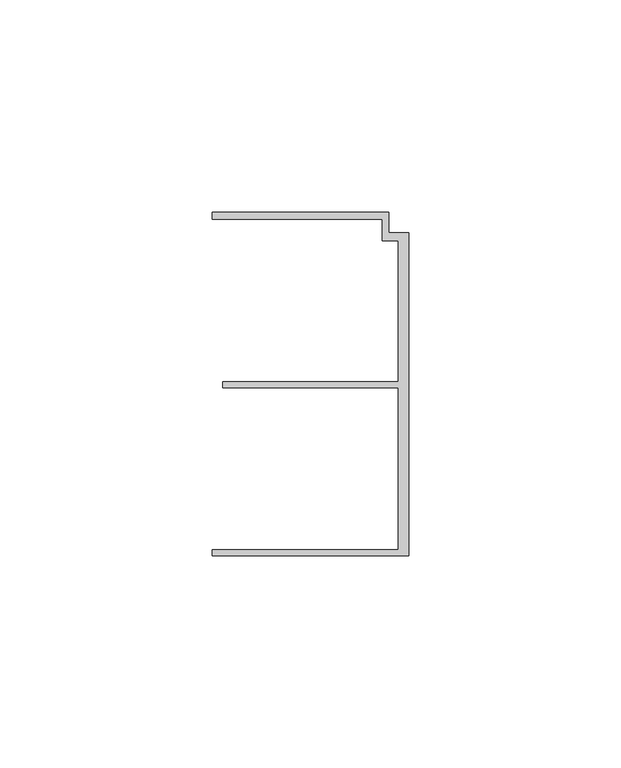
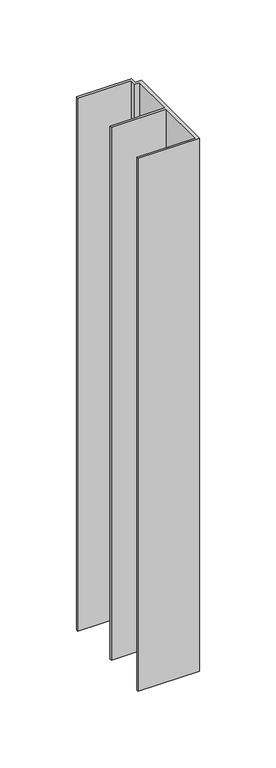
"""IFC4 building model written with IfcOpenShell, lengths in millimetres: member geometry."""

import ifcopenshell
import ifcopenshell.guid

model = None  # the IFC model being written
_history = None  # IfcOwnerHistory: only IFC2X3 demands one
_inside = {}  # id of a spatial element -> (the spatial element, [elements in it])
_under = {}  # id of a project, library or spatial element -> (it, [spatial elements below it])
_declared = {}  # id of a project -> (the project, [libraries it declares])
_typed = {}  # id of a type object -> (the type object, [elements of that type])
_made_of = {}  # id of a material, layer set ... -> (it, [elements and type objects made of it])


def new_model(schema):
    """Start an empty IFC model of exactly this schema.

    Asked for "IFC4X3", IfcOpenShell would pick the latest addendum, in which some entities
    have other attributes; the version numbers below select the first issue.
    IFC2X3 requires an IfcOwnerHistory on every rooted entity: one is made here for all.
    """
    global model, _history
    if schema == "IFC4X3":
        model = ifcopenshell.file(schema_version=(4, 3, 0, 0))
    else:
        model = ifcopenshell.file(schema=schema)
    _inside.clear()
    _under.clear()
    _declared.clear()
    _typed.clear()
    _made_of.clear()
    _history = None
    if model.schema == "IFC2X3":
        org = make("IfcOrganization", Name="unknown")
        user = make(
            "IfcPersonAndOrganization",
            ThePerson=make("IfcPerson", FamilyName="unknown"),
            TheOrganization=org,
        )
        app = make(
            "IfcApplication",
            ApplicationDeveloper=org,
            Version="unknown",
            ApplicationFullName="unknown",
            ApplicationIdentifier="unknown",
        )
        _history = make(
            "IfcOwnerHistory",
            OwningUser=user,
            OwningApplication=app,
            ChangeAction="ADDED",
            CreationDate=0,
        )
    return model


def make(cls, **values):
    """One entity of the class cls with the attributes given. An attribute that is None is left unset."""
    return model.create_entity(
        cls, **{name: value for name, value in values.items() if value is not None}
    )


def rooted(cls, **values):
    """An entity with a GlobalId (a new one), such as an element, a storey or a relation."""
    return make(cls, GlobalId=ifcopenshell.guid.new(), OwnerHistory=_history, **values)


def si_unit(unit_type, name, prefix=None):
    """IfcSIUnit, for example si_unit("LENGTHUNIT", "METRE", prefix="MILLI")."""
    return make("IfcSIUnit", UnitType=unit_type, Prefix=prefix, Name=name)


def assignment(units):
    """IfcUnitAssignment: the units of a project."""
    return None if units is None else make("IfcUnitAssignment", Units=units)


def point(xyz):
    """IfcCartesianPoint."""
    return None if xyz is None else make("IfcCartesianPoint", Coordinates=xyz)


def direction(xyz):
    """IfcDirection."""
    return None if xyz is None else make("IfcDirection", DirectionRatios=xyz)


def frame(location, z_axis=None, x_axis=None):
    """IfcAxis2Placement3D, a coordinate frame: its origin and axes. An axis left out is left unset."""
    return make(
        "IfcAxis2Placement3D",
        Location=point(location),
        Axis=direction(z_axis),
        RefDirection=direction(x_axis),
    )


def origin():
    """The frame at (0, 0, 0) with its axes left unset."""
    return frame((0.0, 0.0, 0.0))


def place(relative_to, where):
    """IfcLocalPlacement: puts the frame where relative to a parent placement (None: the world)."""
    return make(
        "IfcLocalPlacement", PlacementRelTo=relative_to, RelativePlacement=where
    )


def context(
    kind, dimensions, precision=None, world=None, true_north=None, identifier=None
):
    """IfcGeometricRepresentationContext, for example the 3D "Model" context."""
    return make(
        "IfcGeometricRepresentationContext",
        ContextIdentifier=identifier,
        ContextType=kind,
        CoordinateSpaceDimension=dimensions,
        Precision=precision,
        WorldCoordinateSystem=world,
        TrueNorth=true_north,
    )


def project(units=None, contexts=None):
    """IfcProject with its units and contexts."""
    return rooted(
        "IfcProject",
        Name="project",
        RepresentationContexts=contexts,
        UnitsInContext=assignment(units),
    )


def spatial(cls, under=None, at=None, **own):
    """A site, building, storey or space (cls), placed at a placement, below another one or the project."""
    s = rooted(cls, ObjectPlacement=at, **own)
    if under is not None:
        _under.setdefault(under.id(), (under, []))[1].append(s)
    return s


def polyline(points):
    """IfcPolyline through the points."""
    return make("IfcPolyline", Points=[point(p) for p in points])


def outline(outer, holes=None, kind="AREA"):
    """IfcArbitraryClosedProfileDef: a profile drawn as a closed curve; with holes, ...WithVoids."""
    if holes is None:
        return make("IfcArbitraryClosedProfileDef", ProfileType=kind, OuterCurve=outer)
    return make(
        "IfcArbitraryProfileDefWithVoids",
        ProfileType=kind,
        OuterCurve=outer,
        InnerCurves=holes,
    )


def extrude(swept, where, along, depth):
    """IfcExtrudedAreaSolid: the profile swept, set in the frame where, extruded along a direction by depth."""
    return make(
        "IfcExtrudedAreaSolid",
        SweptArea=swept,
        Position=where,
        ExtrudedDirection=direction(along),
        Depth=depth,
    )


def shape(context_of_items, identifier, shape_type, items):
    """IfcShapeRepresentation: the items that make up one representation, for example the "Body"."""
    return make(
        "IfcShapeRepresentation",
        ContextOfItems=context_of_items,
        RepresentationIdentifier=identifier,
        RepresentationType=shape_type,
        Items=items,
    )


def source(mapping_origin, context_of_items, identifier, shape_type, items):
    """IfcRepresentationMap: a shape defined once, which mapped items show again and again."""
    return make(
        "IfcRepresentationMap",
        MappingOrigin=mapping_origin,
        MappedRepresentation=shape(context_of_items, identifier, shape_type, items),
    )


def transform(
    local_origin,
    x_axis=None,
    y_axis=None,
    z_axis=None,
    scale=None,
    scale2=None,
    scale3=None,
    uniform=True,
):
    """IfcCartesianTransformationOperator3D, or its non-uniform kind. x_axis, y_axis, z_axis: its Axis1, 2, 3."""
    if uniform:
        return make(
            "IfcCartesianTransformationOperator3D",
            Axis1=direction(x_axis),
            Axis2=direction(y_axis),
            LocalOrigin=point(local_origin),
            Scale=scale,
            Axis3=direction(z_axis),
        )
    return make(
        "IfcCartesianTransformationOperator3DnonUniform",
        Axis1=direction(x_axis),
        Axis2=direction(y_axis),
        LocalOrigin=point(local_origin),
        Scale=scale,
        Axis3=direction(z_axis),
        Scale2=scale2,
        Scale3=scale3,
    )


def mapped(mapping_source, mapping_target):
    """IfcMappedItem: shows the shape of a source again, moved by a transform."""
    return make(
        "IfcMappedItem", MappingSource=mapping_source, MappingTarget=mapping_target
    )


def made_of(thing, what):
    """Note that an element or type object is made of a material, layer set ...; save() writes the relation."""
    if what is not None:
        _made_of.setdefault(what.id(), (what, []))[1].append(thing)
    return thing


def element(
    cls,
    number,
    at=None,
    inside=None,
    cuts=None,
    type_object=None,
    material=None,
    context=None,
    identifier="Body",
    shape_type=None,
    held_by="IfcProductDefinitionShape",
    body=None,
    shapes=None,
    **own,
):
    """One element of the class cls, such as IfcWall. Its Tag is "e" and its number.

    at: its placement. inside: the storey or other place that contains it. cuts: it is an
    opening in that element (IfcRelVoidsElement). A single representation is given by context,
    identifier, shape_type and body (its items); several are given by shapes. held_by: the class
    of the entity that holds the representations. save() writes the other relations.
    """
    e = rooted(cls, Tag="e%d" % number, ObjectPlacement=at, **own)
    if body is not None:
        shapes = [shape(context, identifier, shape_type, body)]
    if shapes is not None:
        e.Representation = make(held_by, Representations=shapes)
    if inside is not None:
        _inside.setdefault(inside.id(), (inside, []))[1].append(e)
    if cuts is not None:
        rooted(
            "IfcRelVoidsElement", RelatingBuildingElement=cuts, RelatedOpeningElement=e
        )
    if type_object is not None:
        _typed.setdefault(type_object.id(), (type_object, []))[1].append(e)
    return made_of(e, material)


def aggregate(whole, parts):
    """IfcRelAggregates: a whole, such as a stair, and the parts it consists of."""
    return rooted("IfcRelAggregates", RelatingObject=whole, RelatedObjects=parts)


def save(model, path):
    """Write the relations noted so far, then the file.

    IfcRelAggregates (storeys below a building ...), IfcRelContainedInSpatialStructure (elements
    in a storey), IfcRelDefinesByType, IfcRelAssociatesMaterial and IfcRelDeclares: one each for
    every whole, place, type object, material and project.
    """
    for whole, parts in _under.values():
        aggregate(whole, parts)
    for where, things in _inside.values():
        rooted(
            "IfcRelContainedInSpatialStructure",
            RelatedElements=things,
            RelatingStructure=where,
        )
    for kind, things in _typed.values():
        rooted("IfcRelDefinesByType", RelatedObjects=things, RelatingType=kind)
    for what, things in _made_of.values():
        rooted("IfcRelAssociatesMaterial", RelatedObjects=things, RelatingMaterial=what)
    for by, libraries in _declared.values():
        rooted("IfcRelDeclares", RelatingContext=by, RelatedDefinitions=libraries)
    model.write(path)


def member_07b28b9c(model_context):
    return source(origin(), model_context, "Body", "SweptSolid", [
        extrude(outline(polyline([(-6.2, 33.95), (-6.2, 38.95), (-46.3, 38.95), (-46.3, 40.65), (-4.6999992, 40.65), (-4.6999992, 35.75), (0.0, 35.75), (0.0, -40.25), (-46.3, -40.25), (-46.3, -38.95), (-2.4, -38.95), (-2.4, -0.75), (-43.8, -0.75), (-43.8, 0.75), (-2.4, 0.75), (-2.4, 33.95), (-6.2, 33.95)])), frame((0.0, 0.0, -425.0), z_axis=(0.0, 0.0, 1.0), x_axis=(1.0, 0.0, 0.0)), (0.0, 0.0, 1.0), 425.0),
    ])


if __name__ == "__main__":
    model = new_model("IFC4")
    model_context = context("Model", 3, world=origin())
    ifc_project = project(units=[si_unit("LENGTHUNIT", "METRE", prefix="MILLI")], contexts=[model_context])
    site = spatial("IfcSite", under=ifc_project)
    building = spatial("IfcBuilding", under=site)
    placement = place(None, origin())
    member_shape = member_07b28b9c(model_context)
    element("IfcMember", 1, at=placement, inside=building, context=model_context, shape_type="MappedRepresentation", body=[
        mapped(member_shape, transform((0.0, 0.0, 0.0), x_axis=(1.0, 0.0, 0.0), y_axis=(0.0, 1.0, 0.0), z_axis=(0.0, 0.0, 1.0))),
    ])
    save(model, "model.ifc")
